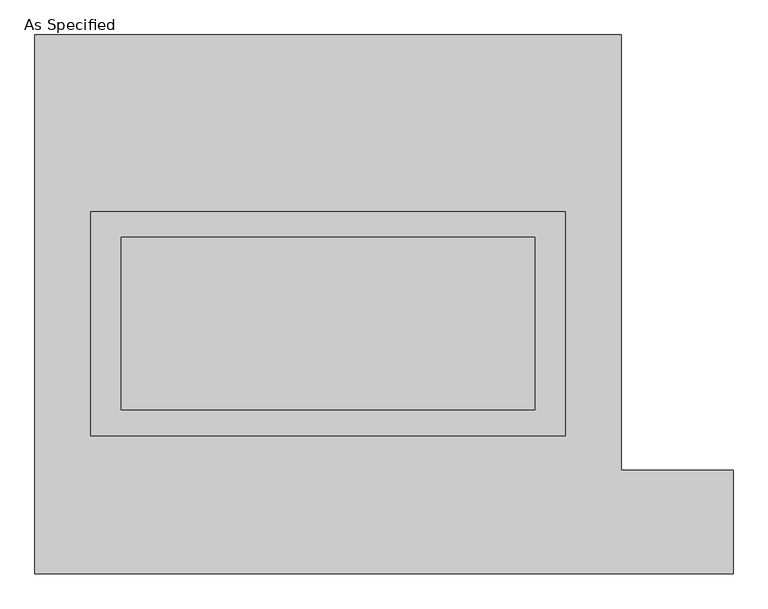
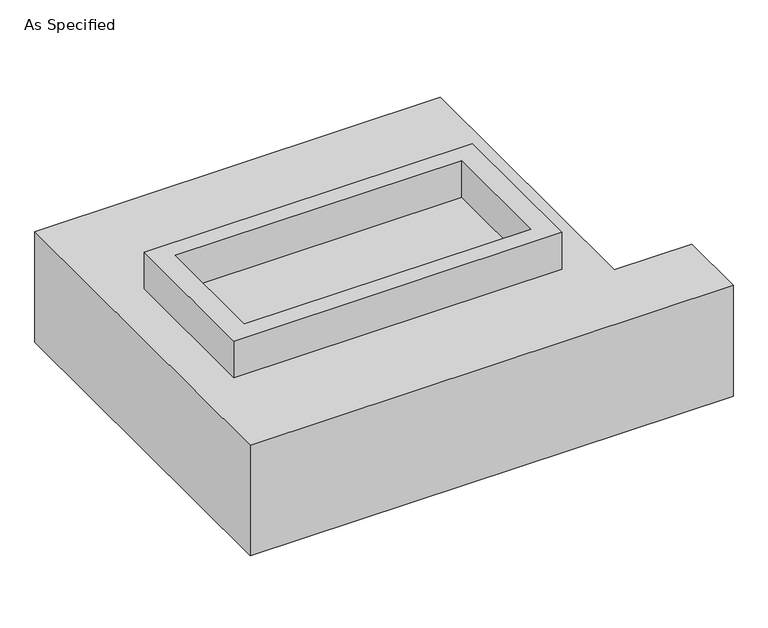
"""IFC4 building model written with IfcOpenShell, lengths in millimetres: proxy geometry, As Specified."""

from ifc_helpers import new_model, si_unit, frame, origin, place, context, project, spatial, polyline, outline, extrude, source, transform, mapped, element, save


def as_specified_c054f7eb(model_context):
    return source(origin(), model_context, "Body", "SweptSolid", [
        extrude(outline(polyline([(698.5, 273.05), (698.5, -387.35), (-698.5, -387.35), (-698.5, 273.05), (698.5, 273.05)]), holes=[polyline([(609.6, 196.85), (-609.6, 196.85), (-609.6, -311.15), (609.6, -311.15), (609.6, 196.85)])]), frame((0.0, 0.0, -688.975), z_axis=(0.0, 0.0, 1.0), x_axis=(1.0, 0.0, 0.0)), (0.0, 0.0, 1.0), 165.1),
        extrude(outline(polyline([(698.5, 273.05), (698.5, -387.35), (-698.5, -387.35), (-698.5, 273.05), (698.5, 273.05)]), holes=[polyline([(609.6, 196.85), (-609.6, 196.85), (-609.6, -311.15), (609.6, -311.15), (609.6, 196.85)])]), frame((0.0, 0.0, -25.4), z_axis=(0.0, 0.0, 1.0), x_axis=(1.0, 0.0, 0.0)), (0.0, 0.0, 1.0), 165.1),
        extrude(outline(polyline([(609.6, 196.85), (609.6, -311.15), (-609.6, -311.15), (-609.6, 196.85), (609.6, 196.85)])), frame((0.0, 0.0, -523.875), z_axis=(0.0, 0.0, 1.0), x_axis=(1.0, 0.0, 0.0)), (0.0, 0.0, 1.0), 4.9609375),
        extrude(outline(polyline([(609.6, 196.85), (609.6, -311.15), (-609.6, -311.15), (-609.6, 196.85), (609.6, 196.85)])), frame((0.0, 0.0, -30.3609375), z_axis=(0.0, 0.0, 1.0), x_axis=(1.0, 0.0, 0.0)), (0.0, 0.0, 1.0), 4.9609375),
        extrude(outline(polyline([(-863.6, 793.75), (863.6, 793.75), (863.6, -488.95), (1193.8, -488.95), (1193.8, -793.75), (-863.6, -793.75), (-863.6, 793.75)]), holes=[polyline([(-698.5, 273.05), (-698.5, -387.35), (698.5, -387.35), (698.5, 273.05), (-698.5, 273.05)])]), frame((0.0, 0.0, -523.875), z_axis=(0.0, 0.0, 1.0), x_axis=(1.0, 0.0, 0.0)), (0.0, 0.0, 1.0), 498.475),
    ])


if __name__ == "__main__":
    model = new_model("IFC4")
    model_context = context("Model", 3, world=origin())
    ifc_project = project(units=[si_unit("LENGTHUNIT", "METRE", prefix="MILLI")], contexts=[model_context])
    site = spatial("IfcSite", under=ifc_project)
    building = spatial("IfcBuilding", under=site)
    placement = place(None, origin())
    as_specified_shape = as_specified_c054f7eb(model_context)
    element("IfcBuildingElementProxy", 1, Name="As Specified", ObjectType="As Specified", at=placement, inside=building, context=model_context, shape_type="MappedRepresentation", body=[
        mapped(as_specified_shape, transform((0.0, 0.0, 0.0), x_axis=(1.0, 0.0, 0.0), y_axis=(0.0, 1.0, 0.0), z_axis=(0.0, 0.0, 1.0))),
    ])
    save(model, "model.ifc")
